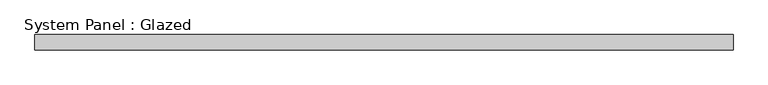
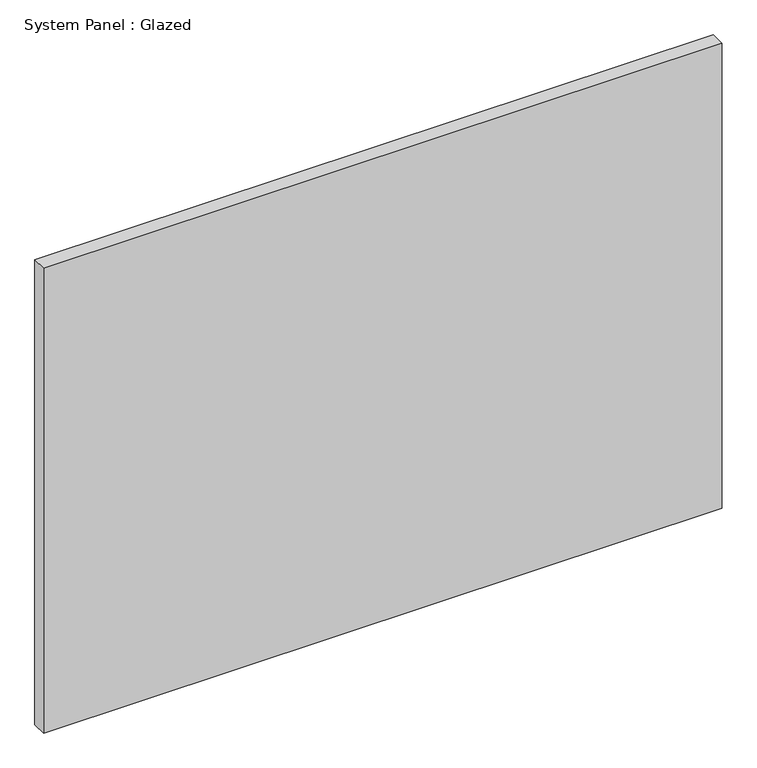
"""IFC4 building model written with IfcOpenShell, lengths in millimetres: plate geometry, System Panel : Glazed."""

from ifc_helpers import new_model, si_unit, origin, origin_with_axes, place, context, project, spatial, polyline, outline, extrude, source, transform, mapped, element, save


def system_panel_glazed_924a0b9c(model_context):
    return source(origin(), model_context, "Body", "SweptSolid", [
        extrude(outline(polyline([(577.775, -44.45), (-577.775, -44.45), (-577.775, -19.05), (577.775, -19.05), (577.775, -44.45)])), origin_with_axes(), (0.0, 0.0, 1.0), 836.5),
    ])


if __name__ == "__main__":
    model = new_model("IFC4")
    model_context = context("Model", 3, world=origin())
    ifc_project = project(units=[si_unit("LENGTHUNIT", "METRE", prefix="MILLI")], contexts=[model_context])
    site = spatial("IfcSite", under=ifc_project)
    building = spatial("IfcBuilding", under=site)
    placement = place(None, origin())
    system_panel_glazed_shape = system_panel_glazed_924a0b9c(model_context)
    element("IfcPlate", 1, ObjectType="System Panel : Glazed", at=placement, inside=building, context=model_context, shape_type="MappedRepresentation", body=[
        mapped(system_panel_glazed_shape, transform((0.0, 0.0, 0.0), x_axis=(1.0, 0.0, 0.0), y_axis=(0.0, 1.0, 0.0), z_axis=(0.0, 0.0, 1.0))),
    ])
    save(model, "model.ifc")
